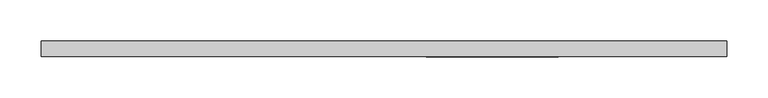
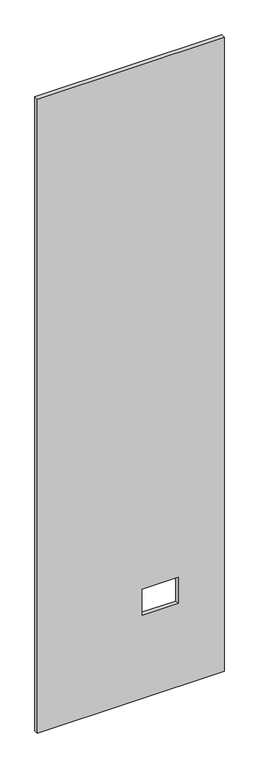
"""IFC4 building model written with IfcOpenShell, lengths in millimetres: proxy geometry."""

from ifc_helpers import new_model, si_unit, frame, origin, place, context, project, spatial, polyline, outline, extrude, source, transform, mapped, element, save


def specialty_equipment_8bd50e73(model_context):
    return source(origin(), model_context, "Body", "SweptSolid", [
        extrude(outline(polyline([(2999.5368001, 417.2204), (2999.5368001, -417.2204), (3.175, -417.2204), (3.175, 417.2204), (2999.5368001, 417.2204)]), holes=[polyline([(518.9474, 211.8868), (395.4526, 211.8868), (395.4526, 51.3588), (518.9474, 51.3588), (518.9474, 211.8868)])]), frame((0.0, -9.525, 0.0), z_axis=(0.0, 1.0, 0.0), x_axis=(0.0, 0.0, 1.0)), (0.0, 0.0, 1.0), 19.05),
    ])


if __name__ == "__main__":
    model = new_model("IFC4")
    model_context = context("Model", 3, world=origin())
    ifc_project = project(units=[si_unit("LENGTHUNIT", "METRE", prefix="MILLI")], contexts=[model_context])
    site = spatial("IfcSite", under=ifc_project)
    building = spatial("IfcBuilding", under=site)
    placement = place(None, origin())
    specialty_equipment_shape = specialty_equipment_8bd50e73(model_context)
    element("IfcBuildingElementProxy", 1, Name="Specialty Equipment", at=placement, inside=building, context=model_context, shape_type="MappedRepresentation", body=[
        mapped(specialty_equipment_shape, transform((0.0, 0.0, 0.0), x_axis=(1.0, 0.0, 0.0), y_axis=(0.0, 1.0, 0.0), z_axis=(0.0, 0.0, 1.0))),
    ])
    save(model, "model.ifc")
